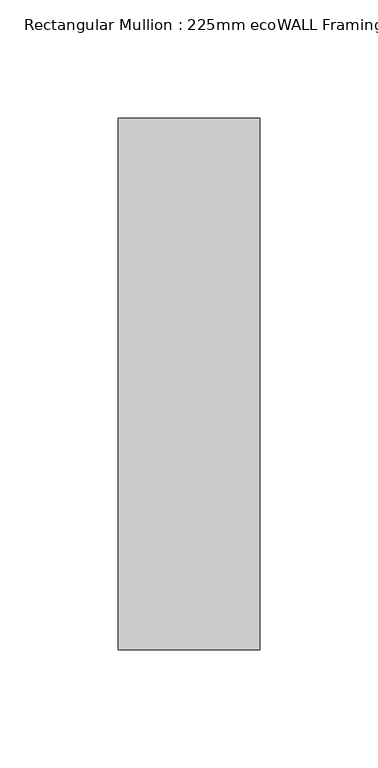
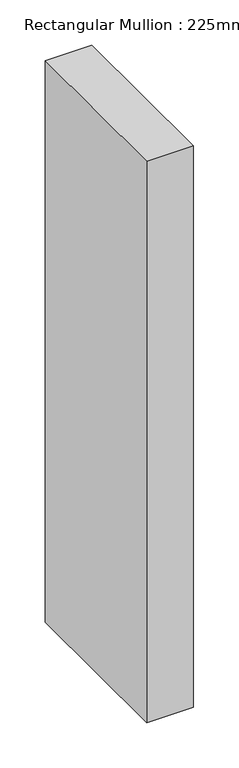
"""IFC4 building model written with IfcOpenShell, lengths in millimetres: member geometry, Rectangular Mullion : 225mm ecoWALL Framing."""

from ifc_helpers import new_model, si_unit, frame, origin, place, context, project, spatial, polyline, outline, extrude, source, transform, mapped, element, save


def rectangular_mullion_225mm_ecowall_framing_6a62be4e(model_context):
    return source(origin(), model_context, "Body", "SweptSolid", [
        extrude(outline(polyline([(0.0, 112.5), (0.0, -112.5), (-60.0, -112.5), (-60.0, 112.5), (0.0, 112.5)])), frame((0.0, 0.0, -760.0), z_axis=(0.0, 0.0, 1.0), x_axis=(1.0, 0.0, 0.0)), (0.0, 0.0, 1.0), 760.0),
    ])


if __name__ == "__main__":
    model = new_model("IFC4")
    model_context = context("Model", 3, world=origin())
    ifc_project = project(units=[si_unit("LENGTHUNIT", "METRE", prefix="MILLI")], contexts=[model_context])
    site = spatial("IfcSite", under=ifc_project)
    building = spatial("IfcBuilding", under=site)
    placement = place(None, origin())
    rectangular_mullion_225mm_ecowall_framing_shape = rectangular_mullion_225mm_ecowall_framing_6a62be4e(model_context)
    element("IfcMember", 1, ObjectType="Rectangular Mullion : 225mm ecoWALL Framing", at=placement, inside=building, context=model_context, shape_type="MappedRepresentation", body=[
        mapped(rectangular_mullion_225mm_ecowall_framing_shape, transform((0.0, 0.0, 0.0), x_axis=(1.0, 0.0, 0.0), y_axis=(0.0, 1.0, 0.0), z_axis=(0.0, 0.0, 1.0))),
    ])
    save(model, "model.ifc")
